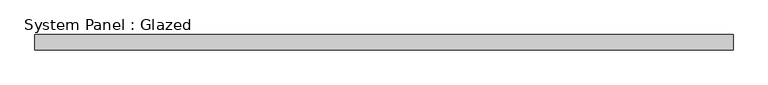
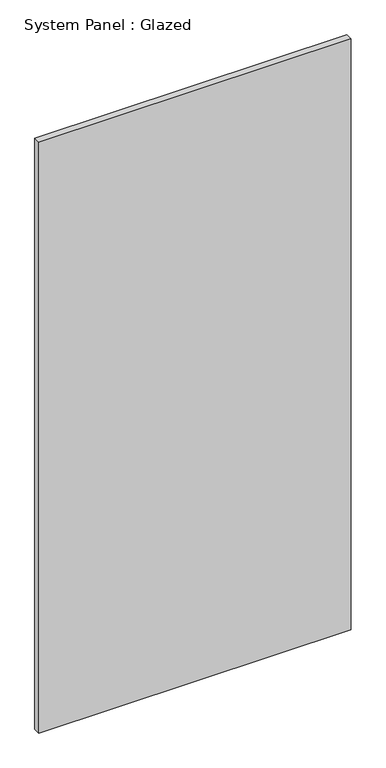
"""IFC4 building model written with IfcOpenShell, lengths in millimetres: plate geometry, System Panel : Glazed."""

from ifc_helpers import new_model, si_unit, origin, origin_with_axes, place, context, project, spatial, polyline, outline, extrude, source, transform, mapped, element, save


def system_panel_glazed_3285a112(model_context):
    return source(origin(), model_context, "Body", "SweptSolid", [
        extrude(outline(polyline([(586.184375, -44.45), (-586.184375, -44.45), (-586.184375, -19.05), (586.184375, -19.05), (586.184375, -44.45)])), origin_with_axes(), (0.0, 0.0, 1.0), 2343.15),
    ])


if __name__ == "__main__":
    model = new_model("IFC4")
    model_context = context("Model", 3, world=origin())
    ifc_project = project(units=[si_unit("LENGTHUNIT", "METRE", prefix="MILLI")], contexts=[model_context])
    site = spatial("IfcSite", under=ifc_project)
    building = spatial("IfcBuilding", under=site)
    placement = place(None, origin())
    system_panel_glazed_shape = system_panel_glazed_3285a112(model_context)
    element("IfcPlate", 1, ObjectType="System Panel : Glazed", at=placement, inside=building, context=model_context, shape_type="MappedRepresentation", body=[
        mapped(system_panel_glazed_shape, transform((0.0, 0.0, 0.0), x_axis=(1.0, 0.0, 0.0), y_axis=(0.0, 1.0, 0.0), z_axis=(0.0, 0.0, 1.0))),
    ])
    save(model, "model.ifc")
